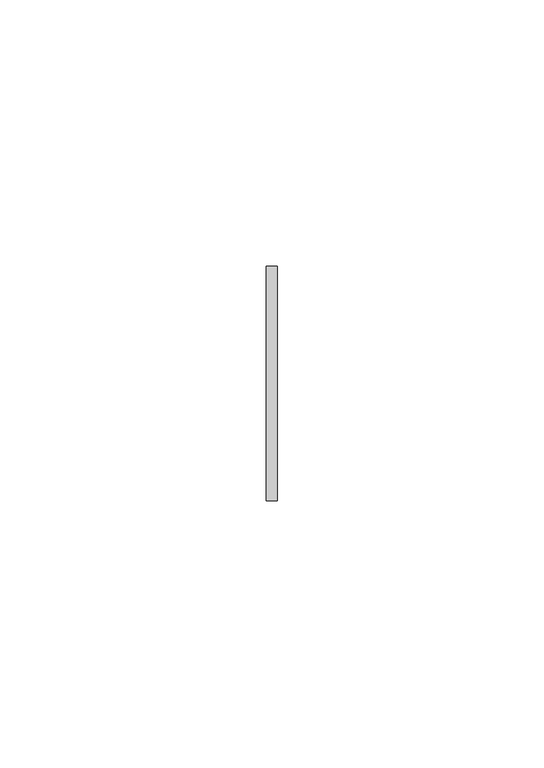
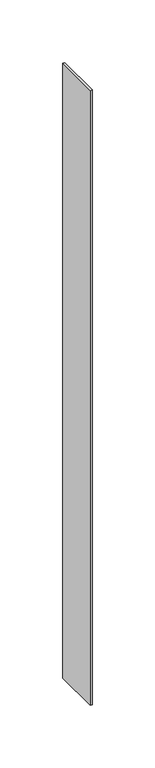
"""IFC4 building model written with IfcOpenShell, lengths in millimetres: member geometry."""

from ifc_helpers import new_model, si_unit, frame, origin, place, context, project, spatial, polyline, outline, extrude, source, transform, mapped, element, save


def member_49a42769(model_context):
    return source(origin(), model_context, "Body", "SweptSolid", [
        extrude(outline(polyline([(1.0, 22.0), (1.0, -22.0), (-1.0, -22.0), (-1.0, 22.0), (1.0, 22.0)])), frame((0.0, 0.0, -600.0), z_axis=(0.0, 0.0, 1.0), x_axis=(1.0, 0.0, 0.0)), (0.0, 0.0, 1.0), 600.0),
    ])


if __name__ == "__main__":
    model = new_model("IFC4")
    model_context = context("Model", 3, world=origin())
    ifc_project = project(units=[si_unit("LENGTHUNIT", "METRE", prefix="MILLI")], contexts=[model_context])
    site = spatial("IfcSite", under=ifc_project)
    building = spatial("IfcBuilding", under=site)
    placement = place(None, origin())
    member_shape = member_49a42769(model_context)
    element("IfcMember", 1, at=placement, inside=building, context=model_context, shape_type="MappedRepresentation", body=[
        mapped(member_shape, transform((0.0, 0.0, 0.0), x_axis=(1.0, 0.0, 0.0), y_axis=(0.0, 1.0, 0.0), z_axis=(0.0, 0.0, 1.0))),
    ])
    save(model, "model.ifc")
